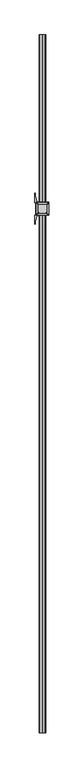
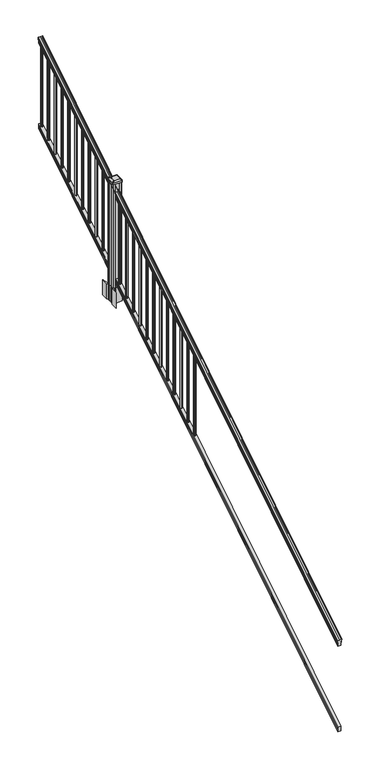
"""IFC4 building model written with IfcOpenShell, lengths in millimetres: railing geometry."""

from ifc_helpers import new_model, si_unit, point, frame, frame_2d, origin, place, context, project, spatial, polyline, circle_curve, ellipse_curve, trimmed, segment, composite_curve, outline, extrude, faceted_brep, source, transform, mapped, element, save
from ifc_brep_helpers import plane_surface, cylinder_surface, revolved_surface, extruded_surface, advanced_brep


def railing_b32d0058(model_context):
    return source(origin(), model_context, "Body", "SolidModel", [
        advanced_brep(
        [(7146.9130321, -22300.2194681, 1133.2070492), (7146.9130321, -22300.2194681, 1135.4335658), (7148.0432184, -22300.2194681, 1137.2758543), (7148.0432184, -22300.2194681, 1145.7876358), (7147.393962, -22300.2194681, 1148.6572588), (7149.893962, -22300.2194681, 1153.7635509), (7151.3033045, -22300.2194681, 1155.7442021), (7151.7052035, -22300.2194681, 1157.0469579), (7151.7052034, -22300.2194681, 1158.6274846), (7150.1517561, -22300.2194681, 1160.4593836), (7129.4802034, -22300.2194681, 1160.4593836), (7108.8086506, -22300.2194681, 1160.4593836), (7107.2552034, -22300.2194681, 1158.6274846), (7107.2552034, -22300.2194681, 1157.0469579), (7107.6571023, -22300.2194681, 1155.7442021), (7109.0664447, -22300.2194681, 1153.7635509), (7111.5664447, -22300.2194681, 1148.6572588), (7110.9171883, -22300.2194681, 1145.7876358), (7110.9171883, -22300.2194681, 1137.2758543), (7112.0473746, -22300.2194681, 1135.4335658), (7112.0473746, -22300.2194681, 1133.2070492), (7114.6212034, -22300.2194681, 1133.2070492), (7114.6212034, -22300.2194681, 1120.825537), (7113.6052034, -22300.2194681, 1119.6274214), (7113.6052034, -22300.2194681, 1104.9), (7145.3552034, -22300.2194681, 1104.9), (7145.3552034, -22300.2194681, 1119.441318), (7144.3392034, -22300.2194681, 1120.6394336), (7144.3392034, -22300.2194681, 1133.2070492), (7146.9130321, -17423.4194681, 4181.2070492), (7144.3392034, -17423.4194681, 4181.2070492), (7144.3392034, -17423.4194681, 4168.6394336), (7145.3552034, -17423.4194681, 4167.441318), (7145.3552034, -17423.4194681, 4152.9), (7113.6052034, -17423.4194681, 4152.9), (7113.6052034, -17423.4194681, 4167.6274214), (7114.6212034, -17423.4194681, 4168.825537), (7114.6212034, -17423.4194681, 4181.2070492), (7112.0473746, -17423.4194681, 4181.2070492), (7112.0473746, -17423.4194681, 4183.4335658), (7110.9171883, -17423.4194681, 4185.2758543), (7110.9171883, -17423.4194681, 4193.7876358), (7111.5664447, -17423.4194681, 4196.6572588), (7109.0664447, -17423.4194681, 4201.7635509), (7107.6571023, -17423.4194681, 4203.7442021), (7107.2552033, -17423.4194681, 4205.0469579), (7107.2552034, -17423.4194681, 4206.6274846), (7108.8086506, -17423.4194681, 4208.4593836), (7129.4802034, -17423.4194681, 4208.4593836), (7150.1517561, -17423.4194681, 4208.4593836), (7151.7052034, -17423.4194681, 4206.6274846), (7151.7052034, -17423.4194681, 4205.0469579), (7151.3033045, -17423.4194681, 4203.7442021), (7149.893962, -17423.4194681, 4201.7635509), (7147.393962, -17423.4194681, 4196.6572588), (7148.0432184, -17423.4194681, 4193.7876358), (7148.0432184, -17423.4194681, 4185.2758543), (7146.9130321, -17423.4194681, 4183.4335658)],
        [
            (0, 1),
            (1, 2, ellipse_curve(frame((7140.5982788, -22300.2194681, 1142.2239405), z_axis=(0.0, -1.0, 0.0), x_axis=(0.0, 0.0, -1.0)), 10.0777926, 8.545951)),
            (2, 3, ellipse_curve(frame((7141.0353418, -22300.2194681, 1141.5317451), z_axis=(0.0, -1.0, 0.0), x_axis=(0.0, 0.0, -1.0)), 9.2955186, 7.882584)),
            (3, 4, ellipse_curve(frame((7151.5486659, -22300.2194681, 1148.4275077), z_axis=(0.0, 1.0, 0.0), x_axis=(0.0, 0.0, 1.0)), 4.9048088, 4.1592695)),
            (4, 5, ellipse_curve(frame((7152.8359725, -22300.2194681, 1148.3563208), z_axis=(0.0, 1.0, 0.0), x_axis=(0.0, 0.0, 1.0)), 6.4245301, 5.4479907)),
            (5, 6, ellipse_curve(frame((7151.602814, -22300.2194681, 1153.7602333), z_axis=(0.0, 1.0, 0.0), x_axis=(0.0, 0.0, 1.0)), 2.0151625, 1.7088543)),
            (6, 7, ellipse_curve(frame((7149.9859139, -22300.2194681, 1157.0469579), z_axis=(0.0, -1.0, 0.0), x_axis=(0.0, 0.0, -1.0)), 2.0274681, 1.7192895)),
            (7, 8),
            (8, 9, ellipse_curve(frame((7150.1517561, -22300.2194681, 1158.6274846), z_axis=(0.0, -1.0, 0.0), x_axis=(0.0, 0.0, -1.0)), 1.831899, 1.5534472)),
            (9, 10),
            (10, 11),
            (11, 12, ellipse_curve(frame((7108.8086506, -22300.2194681, 1158.6274846), z_axis=(0.0, -1.0, 0.0), x_axis=(0.0, 0.0, -1.0)), 1.831899, 1.5534472)),
            (12, 13),
            (13, 14, ellipse_curve(frame((7108.9744928, -22300.2194681, 1157.0469579), z_axis=(0.0, -1.0, 0.0), x_axis=(0.0, 0.0, -1.0)), 2.0274681, 1.7192895)),
            (14, 15, ellipse_curve(frame((7107.3575927, -22300.2194681, 1153.7602333), z_axis=(0.0, 1.0, 0.0), x_axis=(0.0, 0.0, 1.0)), 2.0151625, 1.7088543)),
            (15, 16, ellipse_curve(frame((7106.1244343, -22300.2194681, 1148.3563208), z_axis=(0.0, 1.0, 0.0), x_axis=(0.0, 0.0, 1.0)), 6.4245301, 5.4479907)),
            (16, 17, ellipse_curve(frame((7107.4117408, -22300.2194681, 1148.4275077), z_axis=(0.0, 1.0, 0.0), x_axis=(0.0, 0.0, 1.0)), 4.9048088, 4.1592695)),
            (17, 18, ellipse_curve(frame((7117.925065, -22300.2194681, 1141.5317451), z_axis=(0.0, -1.0, 0.0), x_axis=(0.0, 0.0, -1.0)), 9.2955186, 7.882584)),
            (18, 19, ellipse_curve(frame((7118.3621279, -22300.2194681, 1142.2239405), z_axis=(0.0, -1.0, 0.0), x_axis=(0.0, 0.0, -1.0)), 10.0777926, 8.545951)),
            (19, 20),
            (20, 21, ellipse_curve(frame((7113.334289, -22300.2194681, 1133.2070492), z_axis=(0.0, -1.0, 0.0), x_axis=(0.0, 0.0, -1.0)), 1.5175907, 1.2869144)),
            (21, 22),
            (22, 23),
            (23, 24),
            (24, 25),
            (25, 26),
            (26, 27),
            (27, 28),
            (28, 0, ellipse_curve(frame((7145.6261177, -22300.2194681, 1133.2070492), z_axis=(0.0, -1.0, 0.0), x_axis=(0.0, 0.0, -1.0)), 1.5175907, 1.2869144)),
            (29, 30, ellipse_curve(frame((7145.6261177, -17423.4194681, 4181.2070492), z_axis=(0.0, 1.0, 0.0), x_axis=(0.0, 0.0, -1.0)), 1.5175907, 1.2869144)),
            (30, 31),
            (31, 32),
            (32, 33),
            (33, 34),
            (34, 35),
            (35, 36),
            (36, 37),
            (37, 38, ellipse_curve(frame((7113.334289, -17423.4194681, 4181.2070492), z_axis=(0.0, 1.0, 0.0), x_axis=(0.0, 0.0, -1.0)), 1.5175907, 1.2869144)),
            (38, 39),
            (39, 40, ellipse_curve(frame((7118.3621279, -17423.4194681, 4190.2239405), z_axis=(0.0, 1.0, 0.0), x_axis=(0.0, 0.0, -1.0)), 10.0777926, 8.545951)),
            (40, 41, ellipse_curve(frame((7117.925065, -17423.4194681, 4189.5317451), z_axis=(0.0, 1.0, 0.0), x_axis=(0.0, 0.0, -1.0)), 9.2955186, 7.882584)),
            (41, 42, ellipse_curve(frame((7107.4117408, -17423.4194681, 4196.4275077), z_axis=(0.0, -1.0, 0.0), x_axis=(0.0, 0.0, 1.0)), 4.9048088, 4.1592695)),
            (42, 43, ellipse_curve(frame((7106.1244343, -17423.4194681, 4196.3563208), z_axis=(0.0, -1.0, 0.0), x_axis=(0.0, 0.0, 1.0)), 6.4245301, 5.4479907)),
            (43, 44, ellipse_curve(frame((7107.3575927, -17423.4194681, 4201.7602333), z_axis=(0.0, -1.0, 0.0), x_axis=(0.0, 0.0, 1.0)), 2.0151625, 1.7088543)),
            (44, 45, ellipse_curve(frame((7108.9744928, -17423.4194681, 4205.0469579), z_axis=(0.0, 1.0, 0.0), x_axis=(0.0, 0.0, -1.0)), 2.0274681, 1.7192895)),
            (45, 46),
            (46, 47, ellipse_curve(frame((7108.8086506, -17423.4194681, 4206.6274846), z_axis=(0.0, 1.0, 0.0), x_axis=(0.0, 0.0, -1.0)), 1.831899, 1.5534472)),
            (47, 48),
            (48, 49),
            (49, 50, ellipse_curve(frame((7150.1517561, -17423.4194681, 4206.6274846), z_axis=(0.0, 1.0, 0.0), x_axis=(0.0, 0.0, -1.0)), 1.831899, 1.5534472)),
            (50, 51),
            (51, 52, ellipse_curve(frame((7149.9859139, -17423.4194681, 4205.0469579), z_axis=(0.0, 1.0, 0.0), x_axis=(0.0, 0.0, -1.0)), 2.0274681, 1.7192895)),
            (52, 53, ellipse_curve(frame((7151.602814, -17423.4194681, 4201.7602333), z_axis=(0.0, -1.0, 0.0), x_axis=(0.0, 0.0, 1.0)), 2.0151625, 1.7088543)),
            (53, 54, ellipse_curve(frame((7152.8359725, -17423.4194681, 4196.3563208), z_axis=(0.0, -1.0, 0.0), x_axis=(0.0, 0.0, 1.0)), 6.4245301, 5.4479907)),
            (54, 55, ellipse_curve(frame((7151.5486659, -17423.4194681, 4196.4275077), z_axis=(0.0, -1.0, 0.0), x_axis=(0.0, 0.0, 1.0)), 4.9048088, 4.1592695)),
            (55, 56, ellipse_curve(frame((7141.0353418, -17423.4194681, 4189.5317451), z_axis=(0.0, 1.0, 0.0), x_axis=(0.0, 0.0, -1.0)), 9.2955186, 7.882584)),
            (56, 57, ellipse_curve(frame((7140.5982788, -17423.4194681, 4190.2239405), z_axis=(0.0, 1.0, 0.0), x_axis=(0.0, 0.0, -1.0)), 10.0777926, 8.545951)),
            (57, 29),
            (28, 30),
            (29, 0),
            (27, 31),
            (26, 32),
            (25, 33),
            (24, 34),
            (23, 35),
            (22, 36),
            (21, 37),
            (20, 38),
            (19, 39),
            (18, 40),
            (17, 41),
            (16, 42),
            (15, 43),
            (14, 44),
            (13, 45),
            (12, 46),
            (11, 47),
            (10, 48),
            (9, 49),
            (8, 50),
            (7, 51),
            (6, 52),
            (5, 53),
            (4, 54),
            (3, 55),
            (2, 56),
            (1, 57),
        ],
        [
            plane_surface(frame((7129.4802034, -22300.2194681, 1104.9), z_axis=(0.0, -1.0, 0.0), x_axis=(0.0, 0.0, 1.0))),
            plane_surface(frame((7129.4802034, -17423.4194681, 4152.9), z_axis=(0.0, 1.0, 0.0), x_axis=(0.0, 0.0, 1.0))),
            cylinder_surface(frame((7145.6261177, -22312.9417374, 1125.2556309), z_axis=(0.0, -0.8479983040051251, -0.5299989400031206), x_axis=(-1.0, 0.0, 0.0)), 1.2869144),
            plane_surface(frame((7144.3392034, -22300.2194681, 1120.6394336), z_axis=(1.0, 0.0, 0.0), x_axis=(0.0, 0.8479983040051251, 0.5299989400031206))),
            plane_surface(frame((7145.3552034, -22300.2194681, 1119.441318), z_axis=(0.7071067811865389, -0.3747658444978941, 0.5996253511967222), x_axis=(0.0, 0.8479983040051251, 0.5299989400031206))),
            plane_surface(frame((7145.3552034, -22300.2194681, 1104.9), z_axis=(1.0, 0.0, 0.0), x_axis=(0.0, 0.8479983040051251, 0.5299989400031206))),
            plane_surface(frame((7113.6052034, -22300.2194681, 1104.9), z_axis=(0.0, 0.5299989400031206, -0.8479983040051251), x_axis=(0.0, 0.8479983040051251, 0.5299989400031206))),
            plane_surface(frame((7113.6052034, -22300.2194681, 1119.6274214), z_axis=(-1.0, 0.0, 0.0), x_axis=(0.0, 0.8479983040051251, 0.5299989400031206))),
            plane_surface(frame((7114.6212034, -22300.2194681, 1120.825537), z_axis=(-0.7071067811865438, -0.37476584449789, 0.5996253511967191), x_axis=(0.0, 0.8479983040051251, 0.5299989400031206))),
            plane_surface(frame((7114.6212034, -22300.2194681, 1133.2070492), z_axis=(-1.0000000000000002, 0.0, 0.0), x_axis=(0.0, 0.8479983040051251, 0.5299989400031208))),
            cylinder_surface(frame((7113.334289, -22312.9417374, 1125.2556309), z_axis=(0.0, -0.8479983040051251, -0.5299989400031206), x_axis=(1.0, 0.0, 0.0)), 1.2869144),
            plane_surface(frame((7112.0473746, -22300.2194681, 1135.4335658), z_axis=(-1.0000000000000002, 0.0, 0.0), x_axis=(0.0, 0.8479983040051251, 0.5299989400031208))),
            cylinder_surface(frame((7118.3621279, -22316.9942728, 1131.7396876), z_axis=(0.0, -0.8479983040051251, -0.5299989400031206), x_axis=(1.0, 0.0, 0.0)), 8.545951),
            cylinder_surface(frame((7117.925065, -22316.6831737, 1131.241929), z_axis=(0.0, -0.8479983040051251, -0.5299989400031206), x_axis=(1.0, 0.0, 0.0)), 7.882584),
            revolved_surface(polyline([(7111.5710103, -17421.21505965035, 4197.805262980555), (7111.5710103, -22302.423876549437, 1147.0497524191003)]), (7107.4117408, -22319.7823929, 1136.2006797), (0.0, 0.8479983040051251, 0.5299989400031206)),
            revolved_surface(polyline([(7111.572425, -17420.53203883574, 4198.160964077185), (7111.572425, -22303.10689735281, 1146.551677504493)]), (7106.1244343, -22319.7503988, 1136.1494891), (0.0, 0.8479983040051251, 0.5299989400031206)),
            revolved_surface(polyline([(7109.066447, -17422.513777099786, 4202.326290199656), (7109.066447, -22301.12515912247, 1153.1941764359528)]), (7107.3575927, -22322.1791235, 1140.0354487), (0.0, 0.8479983040051251, 0.5299989400031206)),
            cylinder_surface(frame((7108.9744928, -22323.6563031, 1142.398936), z_axis=(0.0, -0.8479983040051251, -0.5299989400031206), x_axis=(1.0, 0.0, 0.0)), 1.7192895),
            plane_surface(frame((7107.2552034, -22300.2194681, 1158.6274846), z_axis=(-1.0000000000000002, 0.0, 0.0), x_axis=(0.0, 0.8479983040051251, 0.5299989400031208))),
            cylinder_surface(frame((7108.8086506, -22324.3666522, 1143.5354945), z_axis=(0.0, -0.8479983040051251, -0.5299989400031206), x_axis=(1.0, 0.0, 0.0)), 1.5534472),
            plane_surface(frame((7129.4802034, -22300.2194681, 1160.4593836), z_axis=(0.0, -0.5299989400031208, 0.8479983040051251), x_axis=(0.0, 0.8479983040051251, 0.5299989400031208))),
            plane_surface(frame((7150.1517561, -22300.2194681, 1160.4593836), z_axis=(0.0, -0.5299989400031208, 0.8479983040051251), x_axis=(0.0, 0.8479983040051251, 0.5299989400031208))),
            cylinder_surface(frame((7150.1517561, -22324.3666522, 1143.5354945), z_axis=(0.0, -0.8479983040051251, -0.5299989400031206), x_axis=(-1.0, 0.0, 0.0)), 1.5534472),
            plane_surface(frame((7151.7052034, -22300.2194681, 1157.0469579), z_axis=(1.0, 0.0, 0.0), x_axis=(0.0, 0.8479983040051251, 0.5299989400031206))),
            cylinder_surface(frame((7149.9859139, -22323.6563031, 1142.398936), z_axis=(0.0, -0.8479983040051251, -0.5299989400031206), x_axis=(-1.0, 0.0, 0.0)), 1.7192895),
            revolved_surface(polyline([(7149.8939597, -17422.513777099786, 4202.326290199656), (7149.8939597, -22301.12515912247, 1153.1941764359528)]), (7151.602814, -22322.1791235, 1140.0354487), (0.0, 0.8479983040051251, 0.5299989400031206)),
            revolved_surface(polyline([(7147.3879818, -17420.53203883574, 4198.160964077185), (7147.3879818, -22303.10689735281, 1146.551677504493)]), (7152.8359725, -22319.7503988, 1136.1494891), (0.0, 0.8479983040051251, 0.5299989400031206)),
            revolved_surface(polyline([(7147.3893964, -17421.21505965035, 4197.805262980555), (7147.3893964, -22302.423876549437, 1147.0497524191003)]), (7151.5486659, -22319.7823929, 1136.2006797), (0.0, 0.8479983040051251, 0.5299989400031206)),
            cylinder_surface(frame((7141.0353418, -22316.6831737, 1131.241929), z_axis=(0.0, -0.8479983040051251, -0.5299989400031206), x_axis=(-1.0, 0.0, 0.0)), 7.882584),
            cylinder_surface(frame((7140.5982788, -22316.9942728, 1131.7396876), z_axis=(0.0, -0.8479983040051251, -0.5299989400031206), x_axis=(-1.0, 0.0, 0.0)), 8.545951),
            plane_surface(frame((7146.9130321, -22300.2194681, 1133.2070492), z_axis=(1.0000000000000002, 0.0, 0.0), x_axis=(0.0, 0.8479983040051251, 0.5299989400031208))),
        ],
        [
            (0, [[1, 2, 3, 4, 5, 6, 7, 8, 9, 10, 11, 12, 13, 14, 15, 16, 17, 18, 19, 20, 21, 22, 23, 24, 25, 26, 27, 28, 29]]),
            (1, [[30, 31, 32, 33, 34, 35, 36, 37, 38, 39, 40, 41, 42, 43, 44, 45, 46, 47, 48, 49, 50, 51, 52, 53, 54, 55, 56, 57, 58]]),
            (2, [[-29, 59, -30, 60]]),
            (3, [[-28, 61, -31, -59]]),
            (4, [[-27, 62, -32, -61]]),
            (5, [[-26, 63, -33, -62]]),
            (6, [[-25, 64, -34, -63]]),
            (7, [[-24, 65, -35, -64]]),
            (8, [[-23, 66, -36, -65]]),
            (9, [[-22, 67, -37, -66]]),
            (10, [[-21, 68, -38, -67]]),
            (11, [[-20, 69, -39, -68]]),
            (12, [[-19, 70, -40, -69]]),
            (13, [[-18, 71, -41, -70]]),
            (14, [[-17, 72, -42, -71]]),
            (15, [[-16, 73, -43, -72]]),
            (16, [[-15, 74, -44, -73]]),
            (17, [[-14, 75, -45, -74]]),
            (18, [[-13, 76, -46, -75]]),
            (19, [[-12, 77, -47, -76]]),
            (20, [[-11, 78, -48, -77]]),
            (21, [[-10, 79, -49, -78]]),
            (22, [[-9, 80, -50, -79]]),
            (23, [[-8, 81, -51, -80]]),
            (24, [[-7, 82, -52, -81]]),
            (25, [[-6, 83, -53, -82]]),
            (26, [[-5, 84, -54, -83]]),
            (27, [[-4, 85, -55, -84]]),
            (28, [[-3, 86, -56, -85]]),
            (29, [[-2, 87, -57, -86]]),
            (30, [[-1, -60, -58, -87]]),
        ],
    ),
        faceted_brep([(7145.3926903, -22300.2194681, 268.8045079), (7144.3766903, -22300.2194681, 270.338026), (7144.3766903, -22300.2194681, 282.5545048), (7145.3926903, -22300.2194681, 284.1444579), (7145.3926903, -22300.2194681, 298.9244744), (7113.6426903, -22300.2194681, 298.9244744), (7113.6426903, -22300.2194681, 284.1248272), (7114.6586903, -22300.2194681, 282.5348741), (7114.6586903, -22300.2194681, 270.3748303), (7113.6426903, -22300.2194681, 268.7848772), (7113.6426903, -22300.2194681, 254.0), (7145.3926903, -22300.2194681, 254.0), (7145.3926903, -17423.4194681, 3316.8045079), (7145.3926903, -17423.4194681, 3302.0), (7113.6426903, -17423.4194681, 3302.0), (7113.6426903, -17423.4194681, 3316.7848772), (7114.6586903, -17423.4194681, 3318.3748303), (7114.6586903, -17423.4194681, 3330.5348741), (7113.6426903, -17423.4194681, 3332.1248272), (7113.6426903, -17423.4194681, 3346.9244744), (7145.3926903, -17423.4194681, 3346.9244744), (7145.3926903, -17423.4194681, 3332.1444579), (7144.3766903, -17423.4194681, 3330.5545048), (7144.3766903, -17423.4194681, 3318.338026)], [[[0, 1, 2, 3, 4, 5, 6, 7, 8, 9, 10, 11]], [[12, 13, 14, 15, 16, 17, 18, 19, 20, 21, 22, 23]], [[0, 11, 13, 12]], [[11, 10, 14, 13]], [[10, 9, 15, 14]], [[9, 8, 16, 15]], [[8, 7, 17, 16]], [[7, 6, 18, 17]], [[6, 5, 19, 18]], [[5, 4, 20, 19]], [[4, 3, 21, 20]], [[3, 2, 22, 21]], [[2, 1, 23, 22]], [[1, 0, 12, 23]]]),
        extrude(outline(composite_curve([segment(trimmed(circle_curve(frame_2d((7129.4802034, -17445.0094681)), 9.525), [point((7139.0052034, -17445.0094681))], [point((7129.4802034, -17454.5344681))], False, "CARTESIAN"), True, "CONTINUOUS"), segment(trimmed(circle_curve(frame_2d((7129.4802034, -17445.0094681)), 9.525), [point((7129.4802034, -17454.5344681))], [point((7119.9552034, -17445.0094681))], False, "CARTESIAN"), True, "CONTINUOUS"), segment(trimmed(circle_curve(frame_2d((7129.4802034, -17445.0094681)), 9.525), [point((7119.9552034, -17445.0094681))], [point((7129.4802034, -17435.4844681))], False, "CARTESIAN"), True, "CONTINUOUS"), segment(trimmed(circle_curve(frame_2d((7129.4802034, -17445.0094681)), 9.525), [point((7129.4802034, -17435.4844681))], [point((7139.0052034, -17445.0094681))], False, "CARTESIAN"), True, "CONTINUOUS")], self_intersect=False)), frame((0.0, 0.0, 3326.6021281), z_axis=(0.0, 0.0, 1.0), x_axis=(1.0, 0.0, 0.0)), (0.0, 0.0, 1.0), 812.8041219),
        extrude(outline(composite_curve([segment(trimmed(circle_curve(frame_2d((7129.4802034, -17556.2614681)), 9.525), [point((7139.0052034, -17556.2614681))], [point((7129.4802034, -17565.7864681))], False, "CARTESIAN"), True, "CONTINUOUS"), segment(trimmed(circle_curve(frame_2d((7129.4802034, -17556.2614681)), 9.525), [point((7129.4802034, -17565.7864681))], [point((7119.9552034, -17556.2614681))], False, "CARTESIAN"), True, "CONTINUOUS"), segment(trimmed(circle_curve(frame_2d((7129.4802034, -17556.2614681)), 9.525), [point((7119.9552034, -17556.2614681))], [point((7129.4802034, -17546.7364681))], False, "CARTESIAN"), True, "CONTINUOUS"), segment(trimmed(circle_curve(frame_2d((7129.4802034, -17556.2614681)), 9.525), [point((7129.4802034, -17546.7364681))], [point((7139.0052034, -17556.2614681))], False, "CARTESIAN"), True, "CONTINUOUS")], self_intersect=False)), frame((0.0, 0.0, 3257.0696281), z_axis=(0.0, 0.0, 1.0), x_axis=(1.0, 0.0, 0.0)), (0.0, 0.0, 1.0), 812.8041219),
        extrude(outline(composite_curve([segment(trimmed(circle_curve(frame_2d((7129.4802034, -17667.5134681)), 9.525), [point((7139.0052034, -17667.5134681))], [point((7129.4802034, -17677.0384681))], False, "CARTESIAN"), True, "CONTINUOUS"), segment(trimmed(circle_curve(frame_2d((7129.4802034, -17667.5134681)), 9.525), [point((7129.4802034, -17677.0384681))], [point((7119.9552034, -17667.5134681))], False, "CARTESIAN"), True, "CONTINUOUS"), segment(trimmed(circle_curve(frame_2d((7129.4802034, -17667.5134681)), 9.525), [point((7119.9552034, -17667.5134681))], [point((7129.4802034, -17657.9884681))], False, "CARTESIAN"), True, "CONTINUOUS"), segment(trimmed(circle_curve(frame_2d((7129.4802034, -17667.5134681)), 9.525), [point((7129.4802034, -17657.9884681))], [point((7139.0052034, -17667.5134681))], False, "CARTESIAN"), True, "CONTINUOUS")], self_intersect=False)), frame((0.0, 0.0, 3187.5371281), z_axis=(0.0, 0.0, 1.0), x_axis=(1.0, 0.0, 0.0)), (0.0, 0.0, 1.0), 812.8041219),
        extrude(outline(composite_curve([segment(trimmed(circle_curve(frame_2d((7129.4802034, -17778.7654681)), 9.525), [point((7139.0052034, -17778.7654681))], [point((7129.4802034, -17788.2904681))], False, "CARTESIAN"), True, "CONTINUOUS"), segment(trimmed(circle_curve(frame_2d((7129.4802034, -17778.7654681)), 9.525), [point((7129.4802034, -17788.2904681))], [point((7119.9552034, -17778.7654681))], False, "CARTESIAN"), True, "CONTINUOUS"), segment(trimmed(circle_curve(frame_2d((7129.4802034, -17778.7654681)), 9.525), [point((7119.9552034, -17778.7654681))], [point((7129.4802034, -17769.2404681))], False, "CARTESIAN"), True, "CONTINUOUS"), segment(trimmed(circle_curve(frame_2d((7129.4802034, -17778.7654681)), 9.525), [point((7129.4802034, -17769.2404681))], [point((7139.0052034, -17778.7654681))], False, "CARTESIAN"), True, "CONTINUOUS")], self_intersect=False)), frame((0.0, 0.0, 3118.0046281), z_axis=(0.0, 0.0, 1.0), x_axis=(1.0, 0.0, 0.0)), (0.0, 0.0, 1.0), 812.8041219),
        extrude(outline(composite_curve([segment(trimmed(circle_curve(frame_2d((7129.4802034, -17890.0174681)), 9.525), [point((7139.0052034, -17890.0174681))], [point((7129.4802034, -17899.5424681))], False, "CARTESIAN"), True, "CONTINUOUS"), segment(trimmed(circle_curve(frame_2d((7129.4802034, -17890.0174681)), 9.525), [point((7129.4802034, -17899.5424681))], [point((7119.9552034, -17890.0174681))], False, "CARTESIAN"), True, "CONTINUOUS"), segment(trimmed(circle_curve(frame_2d((7129.4802034, -17890.0174681)), 9.525), [point((7119.9552034, -17890.0174681))], [point((7129.4802034, -17880.4924681))], False, "CARTESIAN"), True, "CONTINUOUS"), segment(trimmed(circle_curve(frame_2d((7129.4802034, -17890.0174681)), 9.525), [point((7129.4802034, -17880.4924681))], [point((7139.0052034, -17890.0174681))], False, "CARTESIAN"), True, "CONTINUOUS")], self_intersect=False)), frame((0.0, 0.0, 3048.4721281), z_axis=(0.0, 0.0, 1.0), x_axis=(1.0, 0.0, 0.0)), (0.0, 0.0, 1.0), 812.8041219),
        extrude(outline(composite_curve([segment(trimmed(circle_curve(frame_2d((7129.4802034, -18001.2694681)), 9.525), [point((7139.0052034, -18001.2694681))], [point((7129.4802034, -18010.7944681))], False, "CARTESIAN"), True, "CONTINUOUS"), segment(trimmed(circle_curve(frame_2d((7129.4802034, -18001.2694681)), 9.525), [point((7129.4802034, -18010.7944681))], [point((7119.9552034, -18001.2694681))], False, "CARTESIAN"), True, "CONTINUOUS"), segment(trimmed(circle_curve(frame_2d((7129.4802034, -18001.2694681)), 9.525), [point((7119.9552034, -18001.2694681))], [point((7129.4802034, -17991.7444681))], False, "CARTESIAN"), True, "CONTINUOUS"), segment(trimmed(circle_curve(frame_2d((7129.4802034, -18001.2694681)), 9.525), [point((7129.4802034, -17991.7444681))], [point((7139.0052034, -18001.2694681))], False, "CARTESIAN"), True, "CONTINUOUS")], self_intersect=False)), frame((0.0, 0.0, 2978.9396281), z_axis=(0.0, 0.0, 1.0), x_axis=(1.0, 0.0, 0.0)), (0.0, 0.0, 1.0), 812.8041219),
        extrude(outline(composite_curve([segment(trimmed(circle_curve(frame_2d((7129.4802034, -18112.5214681)), 9.525), [point((7139.0052034, -18112.5214681))], [point((7129.4802034, -18122.0464681))], False, "CARTESIAN"), True, "CONTINUOUS"), segment(trimmed(circle_curve(frame_2d((7129.4802034, -18112.5214681)), 9.525), [point((7129.4802034, -18122.0464681))], [point((7119.9552034, -18112.5214681))], False, "CARTESIAN"), True, "CONTINUOUS"), segment(trimmed(circle_curve(frame_2d((7129.4802034, -18112.5214681)), 9.525), [point((7119.9552034, -18112.5214681))], [point((7129.4802034, -18102.9964681))], False, "CARTESIAN"), True, "CONTINUOUS"), segment(trimmed(circle_curve(frame_2d((7129.4802034, -18112.5214681)), 9.525), [point((7129.4802034, -18102.9964681))], [point((7139.0052034, -18112.5214681))], False, "CARTESIAN"), True, "CONTINUOUS")], self_intersect=False)), frame((0.0, 0.0, 2909.4071281), z_axis=(0.0, 0.0, 1.0), x_axis=(1.0, 0.0, 0.0)), (0.0, 0.0, 1.0), 812.8041219),
        extrude(outline(composite_curve([segment(trimmed(circle_curve(frame_2d((7129.4802034, -18223.7734681)), 9.525), [point((7139.0052034, -18223.7734681))], [point((7129.4802034, -18233.2984681))], False, "CARTESIAN"), True, "CONTINUOUS"), segment(trimmed(circle_curve(frame_2d((7129.4802034, -18223.7734681)), 9.525), [point((7129.4802034, -18233.2984681))], [point((7119.9552034, -18223.7734681))], False, "CARTESIAN"), True, "CONTINUOUS"), segment(trimmed(circle_curve(frame_2d((7129.4802034, -18223.7734681)), 9.525), [point((7119.9552034, -18223.7734681))], [point((7129.4802034, -18214.2484681))], False, "CARTESIAN"), True, "CONTINUOUS"), segment(trimmed(circle_curve(frame_2d((7129.4802034, -18223.7734681)), 9.525), [point((7129.4802034, -18214.2484681))], [point((7139.0052034, -18223.7734681))], False, "CARTESIAN"), True, "CONTINUOUS")], self_intersect=False)), frame((0.0, 0.0, 2839.8746281), z_axis=(0.0, 0.0, 1.0), x_axis=(1.0, 0.0, 0.0)), (0.0, 0.0, 1.0), 812.8041219),
        extrude(outline(composite_curve([segment(trimmed(circle_curve(frame_2d((7129.4802034, -18335.0254681)), 9.525), [point((7139.0052034, -18335.0254681))], [point((7129.4802034, -18344.5504681))], False, "CARTESIAN"), True, "CONTINUOUS"), segment(trimmed(circle_curve(frame_2d((7129.4802034, -18335.0254681)), 9.525), [point((7129.4802034, -18344.5504681))], [point((7119.9552034, -18335.0254681))], False, "CARTESIAN"), True, "CONTINUOUS"), segment(trimmed(circle_curve(frame_2d((7129.4802034, -18335.0254681)), 9.525), [point((7119.9552034, -18335.0254681))], [point((7129.4802034, -18325.5004681))], False, "CARTESIAN"), True, "CONTINUOUS"), segment(trimmed(circle_curve(frame_2d((7129.4802034, -18335.0254681)), 9.525), [point((7129.4802034, -18325.5004681))], [point((7139.0052034, -18335.0254681))], False, "CARTESIAN"), True, "CONTINUOUS")], self_intersect=False)), frame((0.0, 0.0, 2770.3421281), z_axis=(0.0, 0.0, 1.0), x_axis=(1.0, 0.0, 0.0)), (0.0, 0.0, 1.0), 812.8041219),
        extrude(outline(composite_curve([segment(trimmed(circle_curve(frame_2d((7129.4802034, -18446.2774681)), 9.525), [point((7139.0052034, -18446.2774681))], [point((7129.4802034, -18455.8024681))], False, "CARTESIAN"), True, "CONTINUOUS"), segment(trimmed(circle_curve(frame_2d((7129.4802034, -18446.2774681)), 9.525), [point((7129.4802034, -18455.8024681))], [point((7119.9552034, -18446.2774681))], False, "CARTESIAN"), True, "CONTINUOUS"), segment(trimmed(circle_curve(frame_2d((7129.4802034, -18446.2774681)), 9.525), [point((7119.9552034, -18446.2774681))], [point((7129.4802034, -18436.7524681))], False, "CARTESIAN"), True, "CONTINUOUS"), segment(trimmed(circle_curve(frame_2d((7129.4802034, -18446.2774681)), 9.525), [point((7129.4802034, -18436.7524681))], [point((7139.0052034, -18446.2774681))], False, "CARTESIAN"), True, "CONTINUOUS")], self_intersect=False)), frame((0.0, 0.0, 2700.8096281), z_axis=(0.0, 0.0, 1.0), x_axis=(1.0, 0.0, 0.0)), (0.0, 0.0, 1.0), 812.8041219),
        extrude(outline(composite_curve([segment(trimmed(circle_curve(frame_2d((7129.4802034, -18557.5294681)), 9.525), [point((7139.0052034, -18557.5294681))], [point((7129.4802034, -18567.0544681))], False, "CARTESIAN"), True, "CONTINUOUS"), segment(trimmed(circle_curve(frame_2d((7129.4802034, -18557.5294681)), 9.525), [point((7129.4802034, -18567.0544681))], [point((7119.9552034, -18557.5294681))], False, "CARTESIAN"), True, "CONTINUOUS"), segment(trimmed(circle_curve(frame_2d((7129.4802034, -18557.5294681)), 9.525), [point((7119.9552034, -18557.5294681))], [point((7129.4802034, -18548.0044681))], False, "CARTESIAN"), True, "CONTINUOUS"), segment(trimmed(circle_curve(frame_2d((7129.4802034, -18557.5294681)), 9.525), [point((7129.4802034, -18548.0044681))], [point((7139.0052034, -18557.5294681))], False, "CARTESIAN"), True, "CONTINUOUS")], self_intersect=False)), frame((0.0, 0.0, 2631.2771281), z_axis=(0.0, 0.0, 1.0), x_axis=(1.0, 0.0, 0.0)), (0.0, 0.0, 1.0), 812.8041219),
        extrude(outline(composite_curve([segment(polyline([(7172.2157034, -18655.941563), (7173.8032034, -18656.703563), (7173.8032034, -18679.505491), (7170.4302263, -18682.8784681), (7108.9705555, -18682.8784681), (7108.9705555, -18683.7992181), (7103.6530117, -18683.7992181), (7103.6530117, -18685.2534728), (7098.568482, -18685.2534728), (7098.568482, -18686.5374966), (7096.9012097, -18686.5374966)]), True, "CONTINUOUS"), segment(trimmed(circle_curve(frame_2d((7096.9012097, -18693.5969565)), 7.0594599), [point((7096.9012097, -18686.5374966))], [point((7090.1339468, -18691.5869498))], True, "CARTESIAN"), True, "CONTINUOUS"), segment(polyline([(7090.1339468, -18691.5869498), (7082.2597526, -18718.0976789)]), True, "CONTINUOUS"), segment(trimmed(circle_curve(frame_2d((7137.0442659, -18734.3697285)), 57.15), [point((7082.2597526, -18718.0976789))], [point((7079.8942659, -18734.3697285))], True, "CARTESIAN"), True, "CONTINUOUS"), segment(polyline([(7079.8942659, -18734.3697285), (7079.8942659, -18746.3784681), (7076.8942659, -18746.3784681), (7076.8942659, -18681.2909681), (7085.1572034, -18669.9526768), (7085.1572034, -18656.703563), (7086.7447034, -18655.941563), (7086.7447034, -18621.1693732), (7085.1572034, -18620.4073732), (7085.1572034, -18607.1582594), (7076.8942659, -18595.8199681), (7076.8942659, -18530.7324681), (7079.8942659, -18530.7324681), (7079.8942659, -18542.7412076)]), True, "CONTINUOUS"), segment(trimmed(circle_curve(frame_2d((7137.0442659, -18542.7412076)), 57.15), [point((7079.8942659, -18542.7412076))], [point((7082.2597526, -18559.0132573))], True, "CARTESIAN"), True, "CONTINUOUS"), segment(polyline([(7082.2597526, -18559.0132573), (7090.1339468, -18585.5239864)]), True, "CONTINUOUS"), segment(trimmed(circle_curve(frame_2d((7096.9012097, -18583.5139797)), 7.0594599), [point((7090.1339468, -18585.5239864))], [point((7096.9012097, -18590.5734396))], True, "CARTESIAN"), True, "CONTINUOUS"), segment(polyline([(7096.9012097, -18590.5734396), (7098.568482, -18590.5734396), (7098.568482, -18591.8574634), (7103.6530117, -18591.8574634), (7103.6530117, -18593.3117181), (7108.9705555, -18593.3117181), (7108.9705555, -18594.2324681), (7170.4302263, -18594.2324681), (7173.8032034, -18597.6054452), (7173.8032034, -18620.4073732), (7172.2157034, -18621.1693732), (7172.2157034, -18655.941563)]), True, "CONTINUOUS")], self_intersect=False), holes=[polyline([(7088.2052034, -18598.8679681), (7088.2052034, -18678.2429681), (7089.7927034, -18679.8304681), (7126.716986, -18679.8304681), (7169.1677034, -18679.8304681), (7170.7552034, -18678.2429681), (7170.7552034, -18598.8679681), (7169.1677034, -18597.2804681), (7126.716986, -18597.2804681), (7089.7927034, -18597.2804681), (7088.2052034, -18598.8679681)])]), frame((0.0, 0.0, 2326.64), z_axis=(0.0, 0.0, 1.0), x_axis=(1.0, 0.0, 0.0)), (0.0, 0.0, 1.0), 152.4),
        advanced_brep(
        [(7103.6833284, -18667.5273431, 3538.979263), (7155.2770784, -18667.5273431, 3538.979263), (7158.4520784, -18664.3523431, 3538.979263), (7158.4520784, -18612.7585931, 3538.979263), (7155.2770784, -18609.5835931, 3538.979263), (7103.6833284, -18609.5835931, 3538.979263), (7100.5083284, -18612.7585931, 3538.979263), (7100.5083284, -18664.3523431, 3538.979263), (7087.4114534, -18683.7992181, 3527.676263), (7084.2364534, -18680.6242181, 3527.676263), (7084.2364534, -18596.4867181, 3527.676263), (7087.4114534, -18593.3117181, 3527.676263), (7171.5489534, -18593.3117181, 3527.676263), (7174.7239534, -18596.4867181, 3527.676263), (7174.7239534, -18680.6242181, 3527.676263), (7171.5489534, -18683.7992181, 3527.676263)],
        [
            (0, 1),
            (1, 2, circle_curve(frame((7155.2770784, -18664.3523431, 3538.979263), z_axis=(0.0, 0.0, 1.0), x_axis=(0.0, 1.0, 0.0)), 3.175)),
            (2, 3),
            (3, 4, circle_curve(frame((7155.2770784, -18612.7585931, 3538.979263), z_axis=(0.0, 0.0, 1.0), x_axis=(0.0, 1.0, 0.0)), 3.175)),
            (4, 5),
            (5, 6, circle_curve(frame((7103.6833284, -18612.7585931, 3538.979263), z_axis=(0.0, 0.0, 1.0), x_axis=(0.0, 1.0, 0.0)), 3.175)),
            (6, 7),
            (7, 0, circle_curve(frame((7103.6833284, -18664.3523431, 3538.979263), z_axis=(0.0, 0.0, 1.0), x_axis=(0.0, 1.0, 0.0)), 3.175)),
            (8, 9, circle_curve(frame((7087.4114534, -18680.6242181, 3527.676263), z_axis=(0.0, 0.0, -1.0), x_axis=(0.0, 1.0, 0.0)), 3.175)),
            (9, 10),
            (10, 11, circle_curve(frame((7087.4114534, -18596.4867181, 3527.676263), z_axis=(0.0, 0.0, -1.0), x_axis=(0.0, 1.0, 0.0)), 3.175)),
            (11, 12),
            (12, 13, circle_curve(frame((7171.5489534, -18596.4867181, 3527.676263), z_axis=(0.0, 0.0, -1.0), x_axis=(0.0, 1.0, 0.0)), 3.175)),
            (13, 14),
            (14, 15, circle_curve(frame((7171.5489534, -18680.6242181, 3527.676263), z_axis=(0.0, 0.0, -1.0), x_axis=(0.0, 1.0, 0.0)), 3.175)),
            (15, 8),
            (8, 0),
            (7, 9),
            (6, 10),
            (5, 11),
            (4, 12),
            (3, 13),
            (2, 14),
            (1, 15),
        ],
        [
            plane_surface(frame((7129.4802034, -18638.5554681, 3538.979263), z_axis=(0.0, 0.0, 1.0), x_axis=(-1.0, 0.0, 0.0))),
            plane_surface(frame((7129.4802034, -18638.5554681, 3527.676263), z_axis=(0.0, 0.0, -1.0), x_axis=(-1.0, 0.0, 0.0))),
            extruded_surface(trimmed(circle_curve(frame((7103.6833284, -18664.3523431, 3538.979263), z_axis=(0.0, 0.0, -1.0), x_axis=(0.0, 1.0, 0.0)), 3.175), [point((7103.6833284, -18667.5273431, 3538.979263))], [point((7100.5083284, -18664.3523431, 3538.979263))], True, "CARTESIAN"), (-16.271875000000364, -16.271875000002183, -11.303000000000338), 25.63797263886793),
            plane_surface(frame((7084.2364534, -18638.5554681, 3527.676263), z_axis=(-0.5705009161540778, 0.0, 0.8212969649690408), x_axis=(0.0, 1.0, 0.0))),
            extruded_surface(trimmed(circle_curve(frame((7103.6833284, -18612.7585931, 3538.979263), z_axis=(0.0, 0.0, -1.0), x_axis=(0.0, 1.0, 0.0)), 3.175), [point((7100.5083284, -18612.7585931, 3538.979263))], [point((7103.6833284, -18609.5835931, 3538.979263))], True, "CARTESIAN"), (-16.271875000000364, 16.271874999998545, -11.303000000000338), 25.63797263886562),
            plane_surface(frame((7129.4802034, -18593.3117181, 3527.676263), z_axis=(0.0, 0.5705009161540291, 0.8212969649690747), x_axis=(1.0, 0.0, 0.0))),
            extruded_surface(trimmed(circle_curve(frame((7155.2770784, -18612.7585931, 3538.979263), z_axis=(0.0, 0.0, -1.0), x_axis=(0.0, 1.0, 0.0)), 3.175), [point((7155.2770784, -18609.5835931, 3538.979263))], [point((7158.4520784, -18612.7585931, 3538.979263))], True, "CARTESIAN"), (16.271874999999454, 16.271874999998545, -11.303000000000338), 25.63797263886504),
            plane_surface(frame((7174.7239534, -18638.5554681, 3527.676263), z_axis=(0.5705009161540142, 0.0, 0.8212969649690851), x_axis=(0.0, -1.0, 0.0))),
            extruded_surface(trimmed(circle_curve(frame((7155.2770784, -18664.3523431, 3538.979263), z_axis=(0.0, 0.0, -1.0), x_axis=(0.0, 1.0, 0.0)), 3.175), [point((7158.4520784, -18664.3523431, 3538.979263))], [point((7155.2770784, -18667.5273431, 3538.979263))], True, "CARTESIAN"), (16.271874999999454, -16.271875000002183, -11.303000000000338), 25.637972638867353),
            plane_surface(frame((7129.4802034, -18683.7992181, 3527.676263), z_axis=(0.0, -0.570500916154034, 0.8212969649690713), x_axis=(-1.0, 0.0, 0.0))),
        ],
        [
            (0, [[1, 2, 3, 4, 5, 6, 7, 8]]),
            (1, [[9, 10, 11, 12, 13, 14, 15, 16]]),
            (2, [[17, -8, 18, -9]]),
            (3, [[-18, -7, 19, -10]]),
            (4, [[-19, -6, 20, -11]]),
            (5, [[-20, -5, 21, -12]]),
            (6, [[-21, -4, 22, -13]]),
            (7, [[-22, -3, 23, -14]]),
            (8, [[-23, -2, 24, -15]]),
            (9, [[-24, -1, -17, -16]]),
        ],
    ),
        extrude(outline(composite_curve([segment(trimmed(circle_curve(frame_2d((7087.4114534, -18680.6242181)), 3.175), [point((7087.4114534, -18683.7992181))], [point((7084.2364534, -18680.6242181))], False, "CARTESIAN"), True, "CONTINUOUS"), segment(polyline([(7084.2364534, -18680.6242181), (7084.2364534, -18596.4867181)]), True, "CONTINUOUS"), segment(trimmed(circle_curve(frame_2d((7087.4114534, -18596.4867181)), 3.175), [point((7084.2364534, -18596.4867181))], [point((7087.4114534, -18593.3117181))], False, "CARTESIAN"), True, "CONTINUOUS"), segment(polyline([(7087.4114534, -18593.3117181), (7171.5489534, -18593.3117181)]), True, "CONTINUOUS"), segment(trimmed(circle_curve(frame_2d((7171.5489534, -18596.4867181)), 3.175), [point((7171.5489534, -18593.3117181))], [point((7174.7239534, -18596.4867181))], False, "CARTESIAN"), True, "CONTINUOUS"), segment(polyline([(7174.7239534, -18596.4867181), (7174.7239534, -18680.6242181)]), True, "CONTINUOUS"), segment(trimmed(circle_curve(frame_2d((7171.5489534, -18680.6242181)), 3.175), [point((7174.7239534, -18680.6242181))], [point((7171.5489534, -18683.7992181))], False, "CARTESIAN"), True, "CONTINUOUS"), segment(polyline([(7171.5489534, -18683.7992181), (7087.4114534, -18683.7992181)]), True, "CONTINUOUS")], self_intersect=False)), frame((0.0, 0.0, 3510.404263), z_axis=(0.0, 0.0, 1.0), x_axis=(1.0, 0.0, 0.0)), (0.0, 0.0, 1.0), 17.272),
        extrude(outline(polyline([(7089.7927034, -18679.8304681), (7088.2052034, -18678.2429681), (7088.2052034, -18658.6214681), (7089.7927034, -18657.8594681), (7089.7927034, -18619.2514681), (7088.2052034, -18618.4894681), (7088.2052034, -18598.8679681), (7089.7927034, -18597.2804681), (7109.4142034, -18597.2804681), (7110.1762034, -18598.8679681), (7148.7842034, -18598.8679681), (7149.5462034, -18597.2804681), (7169.1677034, -18597.2804681), (7170.7552034, -18598.8679681), (7170.7552034, -18618.4894681), (7169.1677034, -18619.2514681), (7169.1677034, -18657.8594681), (7170.7552034, -18658.6214681), (7170.7552034, -18678.2429681), (7169.1677034, -18679.8304681), (7149.5462034, -18679.8304681), (7148.7842034, -18678.2429681), (7110.1762034, -18678.2429681), (7109.4142034, -18679.8304681), (7089.7927034, -18679.8304681)])), frame((0.0, 0.0, 2479.04), z_axis=(0.0, 0.0, 1.0), x_axis=(1.0, 0.0, 0.0)), (0.0, 0.0, 1.0), 1031.364263),
        extrude(outline(composite_curve([segment(trimmed(circle_curve(frame_2d((7129.4802034, -18719.5814681)), 9.525), [point((7139.0052034, -18719.5814681))], [point((7129.4802034, -18729.1064681))], False, "CARTESIAN"), True, "CONTINUOUS"), segment(trimmed(circle_curve(frame_2d((7129.4802034, -18719.5814681)), 9.525), [point((7129.4802034, -18729.1064681))], [point((7119.9552034, -18719.5814681))], False, "CARTESIAN"), True, "CONTINUOUS"), segment(trimmed(circle_curve(frame_2d((7129.4802034, -18719.5814681)), 9.525), [point((7119.9552034, -18719.5814681))], [point((7129.4802034, -18710.0564681))], False, "CARTESIAN"), True, "CONTINUOUS"), segment(trimmed(circle_curve(frame_2d((7129.4802034, -18719.5814681)), 9.525), [point((7129.4802034, -18710.0564681))], [point((7139.0052034, -18719.5814681))], False, "CARTESIAN"), True, "CONTINUOUS")], self_intersect=False)), frame((0.0, 0.0, 2529.9946281), z_axis=(0.0, 0.0, 1.0), x_axis=(1.0, 0.0, 0.0)), (0.0, 0.0, 1.0), 812.8041219),
        extrude(outline(composite_curve([segment(trimmed(circle_curve(frame_2d((7129.4802034, -18830.8334681)), 9.525), [point((7139.0052034, -18830.8334681))], [point((7129.4802034, -18840.3584681))], False, "CARTESIAN"), True, "CONTINUOUS"), segment(trimmed(circle_curve(frame_2d((7129.4802034, -18830.8334681)), 9.525), [point((7129.4802034, -18840.3584681))], [point((7119.9552034, -18830.8334681))], False, "CARTESIAN"), True, "CONTINUOUS"), segment(trimmed(circle_curve(frame_2d((7129.4802034, -18830.8334681)), 9.525), [point((7119.9552034, -18830.8334681))], [point((7129.4802034, -18821.3084681))], False, "CARTESIAN"), True, "CONTINUOUS"), segment(trimmed(circle_curve(frame_2d((7129.4802034, -18830.8334681)), 9.525), [point((7129.4802034, -18821.3084681))], [point((7139.0052034, -18830.8334681))], False, "CARTESIAN"), True, "CONTINUOUS")], self_intersect=False)), frame((0.0, 0.0, 2460.4621281), z_axis=(0.0, 0.0, 1.0), x_axis=(1.0, 0.0, 0.0)), (0.0, 0.0, 1.0), 812.8041219),
        extrude(outline(composite_curve([segment(trimmed(circle_curve(frame_2d((7129.4802034, -18942.0854681)), 9.525), [point((7139.0052034, -18942.0854681))], [point((7129.4802034, -18951.6104681))], False, "CARTESIAN"), True, "CONTINUOUS"), segment(trimmed(circle_curve(frame_2d((7129.4802034, -18942.0854681)), 9.525), [point((7129.4802034, -18951.6104681))], [point((7119.9552034, -18942.0854681))], False, "CARTESIAN"), True, "CONTINUOUS"), segment(trimmed(circle_curve(frame_2d((7129.4802034, -18942.0854681)), 9.525), [point((7119.9552034, -18942.0854681))], [point((7129.4802034, -18932.5604681))], False, "CARTESIAN"), True, "CONTINUOUS"), segment(trimmed(circle_curve(frame_2d((7129.4802034, -18942.0854681)), 9.525), [point((7129.4802034, -18932.5604681))], [point((7139.0052034, -18942.0854681))], False, "CARTESIAN"), True, "CONTINUOUS")], self_intersect=False)), frame((0.0, 0.0, 2390.9296281), z_axis=(0.0, 0.0, 1.0), x_axis=(1.0, 0.0, 0.0)), (0.0, 0.0, 1.0), 812.8041219),
        extrude(outline(composite_curve([segment(trimmed(circle_curve(frame_2d((7129.4802034, -19053.3374681)), 9.525), [point((7139.0052034, -19053.3374681))], [point((7129.4802034, -19062.8624681))], False, "CARTESIAN"), True, "CONTINUOUS"), segment(trimmed(circle_curve(frame_2d((7129.4802034, -19053.3374681)), 9.525), [point((7129.4802034, -19062.8624681))], [point((7119.9552034, -19053.3374681))], False, "CARTESIAN"), True, "CONTINUOUS"), segment(trimmed(circle_curve(frame_2d((7129.4802034, -19053.3374681)), 9.525), [point((7119.9552034, -19053.3374681))], [point((7129.4802034, -19043.8124681))], False, "CARTESIAN"), True, "CONTINUOUS"), segment(trimmed(circle_curve(frame_2d((7129.4802034, -19053.3374681)), 9.525), [point((7129.4802034, -19043.8124681))], [point((7139.0052034, -19053.3374681))], False, "CARTESIAN"), True, "CONTINUOUS")], self_intersect=False)), frame((0.0, 0.0, 2321.3971281), z_axis=(0.0, 0.0, 1.0), x_axis=(1.0, 0.0, 0.0)), (0.0, 0.0, 1.0), 812.8041219),
        extrude(outline(composite_curve([segment(trimmed(circle_curve(frame_2d((7129.4802034, -19164.5894681)), 9.525), [point((7139.0052034, -19164.5894681))], [point((7129.4802034, -19174.1144681))], False, "CARTESIAN"), True, "CONTINUOUS"), segment(trimmed(circle_curve(frame_2d((7129.4802034, -19164.5894681)), 9.525), [point((7129.4802034, -19174.1144681))], [point((7119.9552034, -19164.5894681))], False, "CARTESIAN"), True, "CONTINUOUS"), segment(trimmed(circle_curve(frame_2d((7129.4802034, -19164.5894681)), 9.525), [point((7119.9552034, -19164.5894681))], [point((7129.4802034, -19155.0644681))], False, "CARTESIAN"), True, "CONTINUOUS"), segment(trimmed(circle_curve(frame_2d((7129.4802034, -19164.5894681)), 9.525), [point((7129.4802034, -19155.0644681))], [point((7139.0052034, -19164.5894681))], False, "CARTESIAN"), True, "CONTINUOUS")], self_intersect=False)), frame((0.0, 0.0, 2251.8646281), z_axis=(0.0, 0.0, 1.0), x_axis=(1.0, 0.0, 0.0)), (0.0, 0.0, 1.0), 812.8041219),
        extrude(outline(composite_curve([segment(trimmed(circle_curve(frame_2d((7129.4802034, -19275.8414681)), 9.525), [point((7139.0052034, -19275.8414681))], [point((7129.4802034, -19285.3664681))], False, "CARTESIAN"), True, "CONTINUOUS"), segment(trimmed(circle_curve(frame_2d((7129.4802034, -19275.8414681)), 9.525), [point((7129.4802034, -19285.3664681))], [point((7119.9552034, -19275.8414681))], False, "CARTESIAN"), True, "CONTINUOUS"), segment(trimmed(circle_curve(frame_2d((7129.4802034, -19275.8414681)), 9.525), [point((7119.9552034, -19275.8414681))], [point((7129.4802034, -19266.3164681))], False, "CARTESIAN"), True, "CONTINUOUS"), segment(trimmed(circle_curve(frame_2d((7129.4802034, -19275.8414681)), 9.525), [point((7129.4802034, -19266.3164681))], [point((7139.0052034, -19275.8414681))], False, "CARTESIAN"), True, "CONTINUOUS")], self_intersect=False)), frame((0.0, 0.0, 2182.3321281), z_axis=(0.0, 0.0, 1.0), x_axis=(1.0, 0.0, 0.0)), (0.0, 0.0, 1.0), 812.8041219),
        extrude(outline(composite_curve([segment(trimmed(circle_curve(frame_2d((7129.4802034, -19387.0934681)), 9.525), [point((7139.0052034, -19387.0934681))], [point((7129.4802034, -19396.6184681))], False, "CARTESIAN"), True, "CONTINUOUS"), segment(trimmed(circle_curve(frame_2d((7129.4802034, -19387.0934681)), 9.525), [point((7129.4802034, -19396.6184681))], [point((7119.9552034, -19387.0934681))], False, "CARTESIAN"), True, "CONTINUOUS"), segment(trimmed(circle_curve(frame_2d((7129.4802034, -19387.0934681)), 9.525), [point((7119.9552034, -19387.0934681))], [point((7129.4802034, -19377.5684681))], False, "CARTESIAN"), True, "CONTINUOUS"), segment(trimmed(circle_curve(frame_2d((7129.4802034, -19387.0934681)), 9.525), [point((7129.4802034, -19377.5684681))], [point((7139.0052034, -19387.0934681))], False, "CARTESIAN"), True, "CONTINUOUS")], self_intersect=False)), frame((0.0, 0.0, 2112.7996281), z_axis=(0.0, 0.0, 1.0), x_axis=(1.0, 0.0, 0.0)), (0.0, 0.0, 1.0), 812.8041219),
        extrude(outline(composite_curve([segment(trimmed(circle_curve(frame_2d((7129.4802034, -19498.3454681)), 9.525), [point((7139.0052034, -19498.3454681))], [point((7129.4802034, -19507.8704681))], False, "CARTESIAN"), True, "CONTINUOUS"), segment(trimmed(circle_curve(frame_2d((7129.4802034, -19498.3454681)), 9.525), [point((7129.4802034, -19507.8704681))], [point((7119.9552034, -19498.3454681))], False, "CARTESIAN"), True, "CONTINUOUS"), segment(trimmed(circle_curve(frame_2d((7129.4802034, -19498.3454681)), 9.525), [point((7119.9552034, -19498.3454681))], [point((7129.4802034, -19488.8204681))], False, "CARTESIAN"), True, "CONTINUOUS"), segment(trimmed(circle_curve(frame_2d((7129.4802034, -19498.3454681)), 9.525), [point((7129.4802034, -19488.8204681))], [point((7139.0052034, -19498.3454681))], False, "CARTESIAN"), True, "CONTINUOUS")], self_intersect=False)), frame((0.0, 0.0, 2043.2671281), z_axis=(0.0, 0.0, 1.0), x_axis=(1.0, 0.0, 0.0)), (0.0, 0.0, 1.0), 812.8041219),
        extrude(outline(composite_curve([segment(trimmed(circle_curve(frame_2d((7129.4802034, -19609.5974681)), 9.525), [point((7139.0052034, -19609.5974681))], [point((7129.4802034, -19619.1224681))], False, "CARTESIAN"), True, "CONTINUOUS"), segment(trimmed(circle_curve(frame_2d((7129.4802034, -19609.5974681)), 9.525), [point((7129.4802034, -19619.1224681))], [point((7119.9552034, -19609.5974681))], False, "CARTESIAN"), True, "CONTINUOUS"), segment(trimmed(circle_curve(frame_2d((7129.4802034, -19609.5974681)), 9.525), [point((7119.9552034, -19609.5974681))], [point((7129.4802034, -19600.0724681))], False, "CARTESIAN"), True, "CONTINUOUS"), segment(trimmed(circle_curve(frame_2d((7129.4802034, -19609.5974681)), 9.525), [point((7129.4802034, -19600.0724681))], [point((7139.0052034, -19609.5974681))], False, "CARTESIAN"), True, "CONTINUOUS")], self_intersect=False)), frame((0.0, 0.0, 1973.7346281), z_axis=(0.0, 0.0, 1.0), x_axis=(1.0, 0.0, 0.0)), (0.0, 0.0, 1.0), 812.8041219),
        extrude(outline(composite_curve([segment(trimmed(circle_curve(frame_2d((7129.4802034, -19720.8494681)), 9.525), [point((7139.0052034, -19720.8494681))], [point((7129.4802034, -19730.3744681))], False, "CARTESIAN"), True, "CONTINUOUS"), segment(trimmed(circle_curve(frame_2d((7129.4802034, -19720.8494681)), 9.525), [point((7129.4802034, -19730.3744681))], [point((7119.9552034, -19720.8494681))], False, "CARTESIAN"), True, "CONTINUOUS"), segment(trimmed(circle_curve(frame_2d((7129.4802034, -19720.8494681)), 9.525), [point((7119.9552034, -19720.8494681))], [point((7129.4802034, -19711.3244681))], False, "CARTESIAN"), True, "CONTINUOUS"), segment(trimmed(circle_curve(frame_2d((7129.4802034, -19720.8494681)), 9.525), [point((7129.4802034, -19711.3244681))], [point((7139.0052034, -19720.8494681))], False, "CARTESIAN"), True, "CONTINUOUS")], self_intersect=False)), frame((0.0, 0.0, 1904.2021281), z_axis=(0.0, 0.0, 1.0), x_axis=(1.0, 0.0, 0.0)), (0.0, 0.0, 1.0), 812.8041219),
        extrude(outline(composite_curve([segment(trimmed(circle_curve(frame_2d((7129.4802034, -19832.1014681)), 9.525), [point((7139.0052034, -19832.1014681))], [point((7129.4802034, -19841.6264681))], False, "CARTESIAN"), True, "CONTINUOUS"), segment(trimmed(circle_curve(frame_2d((7129.4802034, -19832.1014681)), 9.525), [point((7129.4802034, -19841.6264681))], [point((7119.9552034, -19832.1014681))], False, "CARTESIAN"), True, "CONTINUOUS"), segment(trimmed(circle_curve(frame_2d((7129.4802034, -19832.1014681)), 9.525), [point((7119.9552034, -19832.1014681))], [point((7129.4802034, -19822.5764681))], False, "CARTESIAN"), True, "CONTINUOUS"), segment(trimmed(circle_curve(frame_2d((7129.4802034, -19832.1014681)), 9.525), [point((7129.4802034, -19822.5764681))], [point((7139.0052034, -19832.1014681))], False, "CARTESIAN"), True, "CONTINUOUS")], self_intersect=False)), frame((0.0, 0.0, 1834.6696281), z_axis=(0.0, 0.0, 1.0), x_axis=(1.0, 0.0, 0.0)), (0.0, 0.0, 1.0), 812.8041219),
        extrude(outline(composite_curve([segment(trimmed(circle_curve(frame_2d((7129.4802034, -19943.3534681)), 9.525), [point((7139.0052034, -19943.3534681))], [point((7129.4802034, -19952.8784681))], False, "CARTESIAN"), True, "CONTINUOUS"), segment(trimmed(circle_curve(frame_2d((7129.4802034, -19943.3534681)), 9.525), [point((7129.4802034, -19952.8784681))], [point((7119.9552034, -19943.3534681))], False, "CARTESIAN"), True, "CONTINUOUS"), segment(trimmed(circle_curve(frame_2d((7129.4802034, -19943.3534681)), 9.525), [point((7119.9552034, -19943.3534681))], [point((7129.4802034, -19933.8284681))], False, "CARTESIAN"), True, "CONTINUOUS"), segment(trimmed(circle_curve(frame_2d((7129.4802034, -19943.3534681)), 9.525), [point((7129.4802034, -19933.8284681))], [point((7139.0052034, -19943.3534681))], False, "CARTESIAN"), True, "CONTINUOUS")], self_intersect=False)), frame((0.0, 0.0, 1765.1371281), z_axis=(0.0, 0.0, 1.0), x_axis=(1.0, 0.0, 0.0)), (0.0, 0.0, 1.0), 812.8041219),
    ])


if __name__ == "__main__":
    model = new_model("IFC4")
    model_context = context("Model", 3, world=origin())
    ifc_project = project(units=[si_unit("LENGTHUNIT", "METRE", prefix="MILLI")], contexts=[model_context])
    site = spatial("IfcSite", under=ifc_project)
    building = spatial("IfcBuilding", under=site)
    placement = place(None, origin())
    railing_shape = railing_b32d0058(model_context)
    element("IfcRailing", 1, at=placement, inside=building, context=model_context, shape_type="MappedRepresentation", body=[
        mapped(railing_shape, transform((0.0, 0.0, 0.0), x_axis=(1.0, 0.0, 0.0), y_axis=(0.0, 1.0, 0.0), z_axis=(0.0, 0.0, 1.0))),
    ])
    save(model, "model.ifc")
